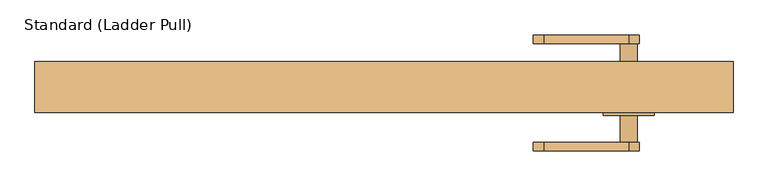
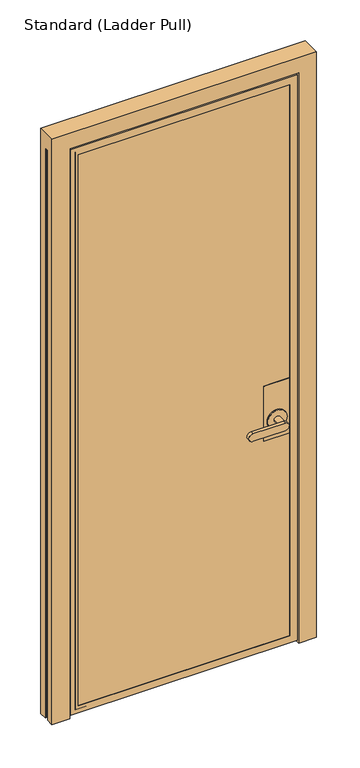
"""IFC4 building model written with IfcOpenShell, lengths in millimetres: door geometry, Standard (Ladder Pull)."""

import ifcopenshell
import ifcopenshell.guid

model = None  # the IFC model being written
_history = None  # IfcOwnerHistory: only IFC2X3 demands one
_inside = {}  # id of a spatial element -> (the spatial element, [elements in it])
_under = {}  # id of a project, library or spatial element -> (it, [spatial elements below it])
_declared = {}  # id of a project -> (the project, [libraries it declares])
_typed = {}  # id of a type object -> (the type object, [elements of that type])
_made_of = {}  # id of a material, layer set ... -> (it, [elements and type objects made of it])


def new_model(schema):
    """Start an empty IFC model of exactly this schema.

    Asked for "IFC4X3", IfcOpenShell would pick the latest addendum, in which some entities
    have other attributes; the version numbers below select the first issue.
    IFC2X3 requires an IfcOwnerHistory on every rooted entity: one is made here for all.
    """
    global model, _history
    if schema == "IFC4X3":
        model = ifcopenshell.file(schema_version=(4, 3, 0, 0))
    else:
        model = ifcopenshell.file(schema=schema)
    _inside.clear()
    _under.clear()
    _declared.clear()
    _typed.clear()
    _made_of.clear()
    _history = None
    if model.schema == "IFC2X3":
        org = make("IfcOrganization", Name="unknown")
        user = make(
            "IfcPersonAndOrganization",
            ThePerson=make("IfcPerson", FamilyName="unknown"),
            TheOrganization=org,
        )
        app = make(
            "IfcApplication",
            ApplicationDeveloper=org,
            Version="unknown",
            ApplicationFullName="unknown",
            ApplicationIdentifier="unknown",
        )
        _history = make(
            "IfcOwnerHistory",
            OwningUser=user,
            OwningApplication=app,
            ChangeAction="ADDED",
            CreationDate=0,
        )
    return model


def make(cls, **values):
    """One entity of the class cls with the attributes given. An attribute that is None is left unset."""
    return model.create_entity(
        cls, **{name: value for name, value in values.items() if value is not None}
    )


def rooted(cls, **values):
    """An entity with a GlobalId (a new one), such as an element, a storey or a relation."""
    return make(cls, GlobalId=ifcopenshell.guid.new(), OwnerHistory=_history, **values)


def si_unit(unit_type, name, prefix=None):
    """IfcSIUnit, for example si_unit("LENGTHUNIT", "METRE", prefix="MILLI")."""
    return make("IfcSIUnit", UnitType=unit_type, Prefix=prefix, Name=name)


def assignment(units):
    """IfcUnitAssignment: the units of a project."""
    return None if units is None else make("IfcUnitAssignment", Units=units)


def point(xyz):
    """IfcCartesianPoint."""
    return None if xyz is None else make("IfcCartesianPoint", Coordinates=xyz)


def direction(xyz):
    """IfcDirection."""
    return None if xyz is None else make("IfcDirection", DirectionRatios=xyz)


def frame(location, z_axis=None, x_axis=None):
    """IfcAxis2Placement3D, a coordinate frame: its origin and axes. An axis left out is left unset."""
    return make(
        "IfcAxis2Placement3D",
        Location=point(location),
        Axis=direction(z_axis),
        RefDirection=direction(x_axis),
    )


def origin():
    """The frame at (0, 0, 0) with its axes left unset."""
    return frame((0.0, 0.0, 0.0))


def place(relative_to, where):
    """IfcLocalPlacement: puts the frame where relative to a parent placement (None: the world)."""
    return make(
        "IfcLocalPlacement", PlacementRelTo=relative_to, RelativePlacement=where
    )


def context(
    kind, dimensions, precision=None, world=None, true_north=None, identifier=None
):
    """IfcGeometricRepresentationContext, for example the 3D "Model" context."""
    return make(
        "IfcGeometricRepresentationContext",
        ContextIdentifier=identifier,
        ContextType=kind,
        CoordinateSpaceDimension=dimensions,
        Precision=precision,
        WorldCoordinateSystem=world,
        TrueNorth=true_north,
    )


def project(units=None, contexts=None):
    """IfcProject with its units and contexts."""
    return rooted(
        "IfcProject",
        Name="project",
        RepresentationContexts=contexts,
        UnitsInContext=assignment(units),
    )


def spatial(cls, under=None, at=None, **own):
    """A site, building, storey or space (cls), placed at a placement, below another one or the project."""
    s = rooted(cls, ObjectPlacement=at, **own)
    if under is not None:
        _under.setdefault(under.id(), (under, []))[1].append(s)
    return s


def polyline(points):
    """IfcPolyline through the points."""
    return make("IfcPolyline", Points=[point(p) for p in points])


def circle_curve(where, radius):
    """IfcCircle in the frame where."""
    return make("IfcCircle", Position=where, Radius=radius)


def outline(outer, holes=None, kind="AREA"):
    """IfcArbitraryClosedProfileDef: a profile drawn as a closed curve; with holes, ...WithVoids."""
    if holes is None:
        return make("IfcArbitraryClosedProfileDef", ProfileType=kind, OuterCurve=outer)
    return make(
        "IfcArbitraryProfileDefWithVoids",
        ProfileType=kind,
        OuterCurve=outer,
        InnerCurves=holes,
    )


def extrude(swept, where, along, depth):
    """IfcExtrudedAreaSolid: the profile swept, set in the frame where, extruded along a direction by depth."""
    return make(
        "IfcExtrudedAreaSolid",
        SweptArea=swept,
        Position=where,
        ExtrudedDirection=direction(along),
        Depth=depth,
    )


def faces_of(points, faces, orient=None, outer=None):
    """IfcFace entities. A face is a list of loops; a loop is a list of indices into points, from 0.

    orient and outer hold one flag for each loop. By default every Orientation is true, the
    first loop of a face is its IfcFaceOuterBound and the others are IfcFaceBound.
    """
    made = []
    for i, loops in enumerate(faces):
        bounds = []
        for j, loop in enumerate(loops):
            is_outer = j == 0 if outer is None else outer[i][j]
            bounds.append(
                make(
                    "IfcFaceOuterBound" if is_outer else "IfcFaceBound",
                    Bound=make("IfcPolyLoop", Polygon=[points[k] for k in loop]),
                    Orientation=True if orient is None else orient[i][j],
                )
            )
        made.append(make("IfcFace", Bounds=bounds))
    return made


def faceted_brep(points, faces, orient=None, outer=None, voids=None):
    """IfcFacetedBrep: a solid bounded by flat faces; with voids (closed shells), ...WithVoids."""
    shared = [point(p) for p in points]
    hull = make("IfcClosedShell", CfsFaces=faces_of(shared, faces, orient, outer))
    if voids is None:
        return make("IfcFacetedBrep", Outer=hull)
    return make(
        "IfcFacetedBrepWithVoids",
        Outer=hull,
        Voids=[
            make(cls, CfsFaces=faces_of(shared, fs, o, b)) for cls, fs, o, b in voids
        ],
    )


def shape(context_of_items, identifier, shape_type, items):
    """IfcShapeRepresentation: the items that make up one representation, for example the "Body"."""
    return make(
        "IfcShapeRepresentation",
        ContextOfItems=context_of_items,
        RepresentationIdentifier=identifier,
        RepresentationType=shape_type,
        Items=items,
    )


def source(mapping_origin, context_of_items, identifier, shape_type, items):
    """IfcRepresentationMap: a shape defined once, which mapped items show again and again."""
    return make(
        "IfcRepresentationMap",
        MappingOrigin=mapping_origin,
        MappedRepresentation=shape(context_of_items, identifier, shape_type, items),
    )


def transform(
    local_origin,
    x_axis=None,
    y_axis=None,
    z_axis=None,
    scale=None,
    scale2=None,
    scale3=None,
    uniform=True,
):
    """IfcCartesianTransformationOperator3D, or its non-uniform kind. x_axis, y_axis, z_axis: its Axis1, 2, 3."""
    if uniform:
        return make(
            "IfcCartesianTransformationOperator3D",
            Axis1=direction(x_axis),
            Axis2=direction(y_axis),
            LocalOrigin=point(local_origin),
            Scale=scale,
            Axis3=direction(z_axis),
        )
    return make(
        "IfcCartesianTransformationOperator3DnonUniform",
        Axis1=direction(x_axis),
        Axis2=direction(y_axis),
        LocalOrigin=point(local_origin),
        Scale=scale,
        Axis3=direction(z_axis),
        Scale2=scale2,
        Scale3=scale3,
    )


def mapped(mapping_source, mapping_target):
    """IfcMappedItem: shows the shape of a source again, moved by a transform."""
    return make(
        "IfcMappedItem", MappingSource=mapping_source, MappingTarget=mapping_target
    )


def made_of(thing, what):
    """Note that an element or type object is made of a material, layer set ...; save() writes the relation."""
    if what is not None:
        _made_of.setdefault(what.id(), (what, []))[1].append(thing)
    return thing


def element(
    cls,
    number,
    at=None,
    inside=None,
    cuts=None,
    type_object=None,
    material=None,
    context=None,
    identifier="Body",
    shape_type=None,
    held_by="IfcProductDefinitionShape",
    body=None,
    shapes=None,
    **own,
):
    """One element of the class cls, such as IfcWall. Its Tag is "e" and its number.

    at: its placement. inside: the storey or other place that contains it. cuts: it is an
    opening in that element (IfcRelVoidsElement). A single representation is given by context,
    identifier, shape_type and body (its items); several are given by shapes. held_by: the class
    of the entity that holds the representations. save() writes the other relations.
    """
    e = rooted(cls, Tag="e%d" % number, ObjectPlacement=at, **own)
    if body is not None:
        shapes = [shape(context, identifier, shape_type, body)]
    if shapes is not None:
        e.Representation = make(held_by, Representations=shapes)
    if inside is not None:
        _inside.setdefault(inside.id(), (inside, []))[1].append(e)
    if cuts is not None:
        rooted(
            "IfcRelVoidsElement", RelatingBuildingElement=cuts, RelatedOpeningElement=e
        )
    if type_object is not None:
        _typed.setdefault(type_object.id(), (type_object, []))[1].append(e)
    return made_of(e, material)


def aggregate(whole, parts):
    """IfcRelAggregates: a whole, such as a stair, and the parts it consists of."""
    return rooted("IfcRelAggregates", RelatingObject=whole, RelatedObjects=parts)


def save(model, path):
    """Write the relations noted so far, then the file.

    IfcRelAggregates (storeys below a building ...), IfcRelContainedInSpatialStructure (elements
    in a storey), IfcRelDefinesByType, IfcRelAssociatesMaterial and IfcRelDeclares: one each for
    every whole, place, type object, material and project.
    """
    for whole, parts in _under.values():
        aggregate(whole, parts)
    for where, things in _inside.values():
        rooted(
            "IfcRelContainedInSpatialStructure",
            RelatedElements=things,
            RelatingStructure=where,
        )
    for kind, things in _typed.values():
        rooted("IfcRelDefinesByType", RelatedObjects=things, RelatingType=kind)
    for what, things in _made_of.values():
        rooted("IfcRelAssociatesMaterial", RelatedObjects=things, RelatingMaterial=what)
    for by, libraries in _declared.values():
        rooted("IfcRelDeclares", RelatingContext=by, RelatedDefinitions=libraries)
    model.write(path)


def plane_surface(at):
    """IfcPlane: the flat surface through the origin of the frame at, square to its z axis."""
    return make("IfcPlane", Position=at)


def cylinder_surface(at, radius):
    """IfcCylindricalSurface: all points at the distance radius from the z axis of the frame at."""
    return make("IfcCylindricalSurface", Position=at, Radius=radius)


def advanced_brep(points, edges, surfaces, faces):
    """IfcAdvancedBrep: a solid bounded by faces that lie on surfaces and meet in shared edges.

    An edge is (start, end): straight between two places in points (the first is 0);
    or (start, end, curve); or (start, end, curve, False) where it runs against its curve.
    A face is (place in surfaces, loops), or (place, loops, False) where it looks against
    its surface's normal. A loop lists edges by number (the first is 1), with a minus sign
    where the edge is run from its end to its start. The first loop is the outer one.
    """
    corners = [point(p) for p in points]
    vertices = [make("IfcVertexPoint", VertexGeometry=c) for c in corners]
    made = []
    for start, end, *more in edges:
        made.append(
            make(
                "IfcEdgeCurve",
                EdgeStart=vertices[start],
                EdgeEnd=vertices[end],
                EdgeGeometry=more[0] if more else make("IfcPolyline", Points=[corners[start], corners[end]]),
                SameSense=more[1] if len(more) > 1 else True,
            )
        )
    hull = []
    for where, loops, *sense in faces:
        bounds = []
        for j, loop in enumerate(loops):
            ring = [make("IfcOrientedEdge", EdgeElement=made[abs(k) - 1], Orientation=k > 0) for k in loop]
            bounds.append(
                make(
                    "IfcFaceOuterBound" if j == 0 else "IfcFaceBound",
                    Bound=make("IfcEdgeLoop", EdgeList=ring),
                    Orientation=True,
                )
            )
        hull.append(make("IfcAdvancedFace", Bounds=bounds, FaceSurface=surfaces[where], SameSense=sense[0] if sense else True))
    return make("IfcAdvancedBrep", Outer=make("IfcClosedShell", CfsFaces=hull))


def standard_ladder_pull_98293552(model_context):
    return source(origin(), model_context, "Body", "SolidModel", [
        advanced_brep(
        [(415.925, 20.6375, 1117.6), (314.325, 20.6375, 1117.6), (314.325, -26.9875, 1117.6), (415.925, -26.9875, 1117.6), (415.925, 20.6375, 889.0), (415.925, -26.9875, 889.0), (314.325, -26.9875, 889.0), (314.325, 20.6375, 889.0), (403.225, 20.6375, 965.2), (327.025, 20.6375, 965.2), (377.825, 25.4, 965.2), (352.425, 25.4, 965.2), (352.425, 65.0875, 965.2), (377.825, 65.0875, 965.2), (403.225, 25.4, 965.2), (327.025, 25.4, 965.2), (365.125, 65.0875, 949.325), (365.125, 65.0875, 981.075), (238.125, 65.0875, 981.075), (238.125, 65.0875, 949.325), (365.125, 77.7875, 949.325), (238.125, 77.7875, 949.325), (238.125, 77.7875, 981.075), (365.125, 77.7875, 981.075)],
        [
            (0, 1),
            (1, 2),
            (2, 3),
            (3, 0),
            (4, 5),
            (5, 6),
            (6, 7),
            (7, 4),
            (3, 5),
            (4, 0),
            (2, 6),
            (1, 7),
            (8, 9, circle_curve(frame((365.125, 20.6375, 965.2), z_axis=(0.0, -1.0, 0.0), x_axis=(-1.0, 0.0, 0.0)), 38.1)),
            (9, 8, circle_curve(frame((365.125, 20.6375, 965.2), z_axis=(0.0, -1.0, 0.0), x_axis=(-1.0, 0.0, 0.0)), 38.1)),
            (10, 11, circle_curve(frame((365.125, 25.4, 965.2), z_axis=(0.0, 1.0, 0.0), x_axis=(-1.0, 0.0, 0.0)), 12.7)),
            (11, 12),
            (12, 13, circle_curve(frame((365.125, 65.0875, 965.2), z_axis=(0.0, -1.0, 0.0), x_axis=(-1.0, 0.0, 0.0)), 12.7)),
            (13, 10),
            (13, 12, circle_curve(frame((365.125, 65.0875, 965.2), z_axis=(0.0, -1.0, 0.0), x_axis=(-1.0, 0.0, 0.0)), 12.7)),
            (11, 10, circle_curve(frame((365.125, 25.4, 965.2), z_axis=(0.0, 1.0, 0.0), x_axis=(-1.0, 0.0, 0.0)), 12.7)),
            (14, 15, circle_curve(frame((365.125, 25.4, 965.2), z_axis=(0.0, 1.0, 0.0), x_axis=(-1.0, 0.0, 0.0)), 38.1)),
            (15, 14, circle_curve(frame((365.125, 25.4, 965.2), z_axis=(0.0, 1.0, 0.0), x_axis=(-1.0, 0.0, 0.0)), 38.1)),
            (14, 8),
            (9, 15),
            (16, 17, circle_curve(frame((365.125, 65.0875, 965.2), z_axis=(0.0, -1.0, 0.0), x_axis=(-1.0, 0.0, 0.0)), 15.875)),
            (17, 18),
            (18, 19, circle_curve(frame((238.125, 65.0875, 965.2), z_axis=(0.0, -1.0, 0.0), x_axis=(-1.0, 0.0, 0.0)), 15.875)),
            (19, 16),
            (20, 21),
            (21, 22, circle_curve(frame((238.125, 77.7875, 965.2), z_axis=(0.0, 1.0, 0.0), x_axis=(-1.0, 0.0, 0.0)), 15.875)),
            (22, 23),
            (23, 20, circle_curve(frame((365.125, 77.7875, 965.2), z_axis=(0.0, 1.0, 0.0), x_axis=(-1.0, 0.0, 0.0)), 15.875)),
            (19, 21),
            (20, 16),
            (18, 22),
            (17, 23),
        ],
        [
            plane_surface(frame((415.925, 87.8442978, 1117.6), z_axis=(0.0, 0.0, 1.0), x_axis=(0.0, -1.0, 0.0))),
            plane_surface(frame((415.925, 87.8442978, 889.0), z_axis=(0.0, 0.0, -1.0), x_axis=(0.0, 1.0, 0.0))),
            plane_surface(frame((415.925, 20.6375, 1117.6), z_axis=(1.0, 0.0, 0.0), x_axis=(0.0, 0.0, -1.0))),
            plane_surface(frame((415.925, -26.9875, 1117.6), z_axis=(0.0, -1.0, 0.0), x_axis=(0.0, 0.0, -1.0))),
            plane_surface(frame((314.325, -26.9875, 1117.6), z_axis=(-1.0, 0.0, 0.0), x_axis=(0.0, 0.0, -1.0))),
            plane_surface(frame((314.325, 20.6375, 1117.6), z_axis=(0.0, 1.0, 0.0), x_axis=(0.0, 0.0, -1.0))),
            cylinder_surface(frame((365.125, 65.0875, 965.2), z_axis=(0.0, -1.0, 0.0), x_axis=(-1.0, 0.0, 0.0)), 12.7),
            plane_surface(frame((327.025, 25.4, 965.2), z_axis=(0.0, 1.0, 0.0), x_axis=(0.0, 0.0, -1.0))),
            cylinder_surface(frame((365.125, 25.4, 965.2), z_axis=(0.0, -1.0, 0.0), x_axis=(-1.0, 0.0, 0.0)), 38.1),
            plane_surface(frame((365.125, 65.0875, 949.325), z_axis=(0.0, -1.0, 0.0), x_axis=(-1.0, 0.0, 0.0))),
            plane_surface(frame((365.125, 77.7875, 949.325), z_axis=(0.0, 1.0, 0.0), x_axis=(1.0, 0.0, 0.0))),
            plane_surface(frame((365.125, 65.0875, 949.325), z_axis=(0.0, 0.0, -1.0), x_axis=(0.0, 1.0, 0.0))),
            cylinder_surface(frame((238.125, 77.7875, 965.2), z_axis=(0.0, -1.0, 0.0), x_axis=(-1.0, 0.0, 0.0)), 15.875),
            plane_surface(frame((238.125, 65.0875, 981.075), z_axis=(0.0, 0.0, 1.0), x_axis=(0.0, 1.0, 0.0))),
            cylinder_surface(frame((365.125, 77.7875, 965.2), z_axis=(0.0, -1.0, 0.0), x_axis=(-1.0, 0.0, 0.0)), 15.875),
        ],
        [
            (0, [[1, 2, 3, 4]]),
            (1, [[5, 6, 7, 8]]),
            (2, [[9, -5, 10, -4]]),
            (3, [[11, -6, -9, -3]]),
            (4, [[12, -7, -11, -2]]),
            (5, [[-10, -8, -12, -1], [13, 14]]),
            (6, [[15, 16, 17, 18]]),
            (6, [[19, -16, 20, -18]]),
            (7, [[21, 22], [-20, -15]]),
            (8, [[23, -14, 24, -21]]),
            (8, [[-24, -13, -23, -22]]),
            (9, [[25, 26, 27, 28], [-19, -17]]),
            (10, [[29, 30, 31, 32]]),
            (11, [[33, -29, 34, -28]]),
            (12, [[35, -30, -33, -27]]),
            (13, [[36, -31, -35, -26]]),
            (14, [[-34, -32, -36, -25]]),
        ],
    ),
        advanced_brep(
        [(415.925, -36.5125, 1117.6), (314.325, -36.5125, 1117.6), (314.325, -38.1, 1117.6), (415.925, -38.1, 1117.6), (415.925, -36.5125, 889.0), (415.925, -38.1, 889.0), (314.325, -38.1, 889.0), (314.325, -36.5125, 889.0), (403.225, -42.8625, 965.2), (327.025, -42.8625, 965.2), (352.425, -42.8625, 965.2), (377.825, -42.8625, 965.2), (327.025, -38.1, 965.2), (403.225, -38.1, 965.2), (377.825, -82.55, 965.2), (352.425, -82.55, 965.2), (238.125, -95.25, 949.325), (365.125, -95.25, 949.325), (365.125, -95.25, 981.075), (238.125, -95.25, 981.075), (238.125, -82.55, 949.325), (238.125, -82.55, 981.075), (365.125, -82.55, 981.075), (365.125, -82.55, 949.325)],
        [
            (0, 1),
            (1, 2),
            (2, 3),
            (3, 0),
            (4, 5),
            (5, 6),
            (6, 7),
            (7, 4),
            (3, 5),
            (4, 0),
            (1, 7),
            (6, 2),
            (8, 9, circle_curve(frame((365.125, -42.8625, 965.2), z_axis=(0.0, -1.0, 0.0), x_axis=(-1.0, 0.0, 0.0)), 38.1)),
            (9, 8, circle_curve(frame((365.125, -42.8625, 965.2), z_axis=(0.0, -1.0, 0.0), x_axis=(-1.0, 0.0, 0.0)), 38.1)),
            (10, 11, circle_curve(frame((365.125, -42.8625, 965.2), z_axis=(0.0, 1.0, 0.0), x_axis=(-1.0, 0.0, 0.0)), 12.7)),
            (11, 10, circle_curve(frame((365.125, -42.8625, 965.2), z_axis=(0.0, 1.0, 0.0), x_axis=(-1.0, 0.0, 0.0)), 12.7)),
            (9, 12),
            (12, 13, circle_curve(frame((365.125, -38.1, 965.2), z_axis=(0.0, -1.0, 0.0), x_axis=(-1.0, 0.0, 0.0)), 38.1)),
            (13, 8),
            (13, 12, circle_curve(frame((365.125, -38.1, 965.2), z_axis=(0.0, -1.0, 0.0), x_axis=(-1.0, 0.0, 0.0)), 38.1)),
            (14, 15, circle_curve(frame((365.125, -82.55, 965.2), z_axis=(0.0, 1.0, 0.0), x_axis=(-1.0, 0.0, 0.0)), 12.7)),
            (15, 10),
            (11, 14),
            (15, 14, circle_curve(frame((365.125, -82.55, 965.2), z_axis=(0.0, 1.0, 0.0), x_axis=(-1.0, 0.0, 0.0)), 12.7)),
            (16, 17),
            (17, 18, circle_curve(frame((365.125, -95.25, 965.2), z_axis=(0.0, -1.0, 0.0), x_axis=(-1.0, 0.0, 0.0)), 15.875)),
            (18, 19),
            (19, 16, circle_curve(frame((238.125, -95.25, 965.2), z_axis=(0.0, -1.0, 0.0), x_axis=(-1.0, 0.0, 0.0)), 15.875)),
            (20, 21, circle_curve(frame((238.125, -82.55, 965.2), z_axis=(0.0, 1.0, 0.0), x_axis=(-1.0, 0.0, 0.0)), 15.875)),
            (21, 22),
            (22, 23, circle_curve(frame((365.125, -82.55, 965.2), z_axis=(0.0, 1.0, 0.0), x_axis=(-1.0, 0.0, 0.0)), 15.875)),
            (23, 20),
            (19, 21),
            (20, 16),
            (18, 22),
            (17, 23),
        ],
        [
            plane_surface(frame((415.925, 87.8442978, 1117.6), z_axis=(0.0, 0.0, 1.0), x_axis=(0.0, -1.0, 0.0))),
            plane_surface(frame((415.925, 87.8442978, 889.0), z_axis=(0.0, 0.0, -1.0), x_axis=(0.0, 1.0, 0.0))),
            plane_surface(frame((415.925, -36.5125, 1117.6), z_axis=(1.0, 0.0, 0.0), x_axis=(0.0, 0.0, -1.0))),
            plane_surface(frame((314.325, -38.1, 1117.6), z_axis=(-1.0, 0.0, 0.0), x_axis=(0.0, 0.0, -1.0))),
            plane_surface(frame((314.325, -36.5125, 1117.6), z_axis=(0.0, 1.0, 0.0), x_axis=(0.0, 0.0, -1.0))),
            plane_surface(frame((327.025, -42.8625, 965.2), z_axis=(0.0, -1.0, 0.0), x_axis=(0.0, 0.0, 1.0))),
            cylinder_surface(frame((365.125, -38.1, 965.2), z_axis=(0.0, -1.0, 0.0), x_axis=(-1.0, 0.0, 0.0)), 38.1),
            cylinder_surface(frame((365.125, -39.6875, 965.2), z_axis=(0.0, -1.0, 0.0), x_axis=(-1.0, 0.0, 0.0)), 12.7),
            plane_surface(frame((222.25, -95.25, 965.2), z_axis=(0.0, -1.0, 0.0), x_axis=(0.0, 0.0, 1.0))),
            plane_surface(frame((222.25, -82.55, 965.2), z_axis=(0.0, 1.0, 0.0), x_axis=(0.0, 0.0, -1.0))),
            cylinder_surface(frame((238.125, -82.55, 965.2), z_axis=(0.0, -1.0, 0.0), x_axis=(-1.0, 0.0, 0.0)), 15.875),
            plane_surface(frame((238.125, -95.25, 981.075), z_axis=(0.0, 0.0, 1.0), x_axis=(0.0, 1.0, 0.0))),
            cylinder_surface(frame((365.125, -82.55, 965.2), z_axis=(0.0, -1.0, 0.0), x_axis=(-1.0, 0.0, 0.0)), 15.875),
            plane_surface(frame((365.125, -95.25, 949.325), z_axis=(0.0, 0.0, -1.0), x_axis=(0.0, 1.0, 0.0))),
            plane_surface(frame((415.925, -38.1, 1117.6), z_axis=(0.0, -1.0, 0.0), x_axis=(0.0, 0.0, -1.0))),
        ],
        [
            (0, [[1, 2, 3, 4]]),
            (1, [[5, 6, 7, 8]]),
            (2, [[9, -5, 10, -4]]),
            (3, [[11, -7, 12, -2]]),
            (4, [[-10, -8, -11, -1]]),
            (5, [[13, 14], [15, 16]]),
            (6, [[17, 18, 19, -14]]),
            (6, [[-19, 20, -17, -13]]),
            (7, [[21, 22, -16, 23]]),
            (7, [[-15, -22, 24, -23]]),
            (8, [[25, 26, 27, 28]]),
            (9, [[29, 30, 31, 32], [-24, -21]]),
            (10, [[33, -29, 34, -28]]),
            (11, [[35, -30, -33, -27]]),
            (12, [[36, -31, -35, -26]]),
            (13, [[-34, -32, -36, -25]]),
            (14, [[-12, -6, -9, -3], [-20, -18]]),
        ],
    ),
        extrude(outline(polyline([(428.625, -36.5125), (-428.625, -36.5125), (-428.625, -26.9875), (428.625, -26.9875), (428.625, -36.5125)])), frame((0.0, 0.0, 30.1625), z_axis=(0.0, 0.0, 1.0), x_axis=(1.0, 0.0, 0.0)), (0.0, 0.0, 1.0), 2320.925),
        faceted_brep([(-428.625, -36.5125, 2351.0875), (-428.625, -36.5125, 30.1625), (-428.625, -26.9875, 30.1625), (-428.625, -26.9875, 2351.0875), (428.625, -26.9875, 30.1625), (428.625, -26.9875, 2351.0875), (-415.925, -26.9875, 42.8625), (-415.925, -26.9875, 2338.3875), (415.925, -26.9875, 2338.3875), (415.925, -26.9875, 42.8625), (428.625, -36.5125, 30.1625), (428.625, -36.5125, 2351.0875), (-415.925, -36.5125, 2338.3875), (-415.925, -36.5125, 42.8625), (415.925, -36.5125, 42.8625), (415.925, -36.5125, 2338.3875), (-415.925, -38.1, 2338.3875), (-415.925, -38.1, 42.8625), (415.925, -38.1, 42.8625), (-446.0875, -38.1, 2368.55), (-446.0875, -38.1, 12.7), (446.0875, -38.1, 12.7), (446.0875, -38.1, 2368.55), (415.925, -38.1, 2338.3875), (-446.0875, 6.35, 2368.55), (-446.0875, 6.35, 12.7), (446.0875, 6.35, 12.7), (446.0875, 6.35, 2368.55), (430.2125, 6.35, 2352.675), (-430.2125, 6.35, 2352.675), (-430.2125, 6.35, 28.575), (430.2125, 6.35, 28.575), (-415.925, 20.6375, 42.8625), (-415.925, 20.6375, 2338.3875), (-430.2125, 20.6375, 28.575), (-430.2125, 20.6375, 2352.675), (430.2125, 20.6375, 2352.675), (430.2125, 20.6375, 28.575), (415.925, 20.6375, 42.8625), (415.925, 20.6375, 2338.3875)], [[[0, 1, 2, 3]], [[3, 2, 4, 5], [6, 7, 8, 9]], [[1, 10, 4, 2]], [[1, 0, 11, 10], [12, 13, 14, 15]], [[16, 17, 13, 12]], [[17, 18, 14, 13]], [[19, 20, 21, 22], [17, 16, 23, 18]], [[24, 25, 20, 19]], [[25, 26, 21, 20]], [[24, 27, 26, 25], [28, 29, 30, 31]], [[10, 11, 5, 4]], [[18, 23, 15, 14]], [[26, 27, 22, 21]], [[7, 6, 32, 33]], [[34, 35, 36, 37], [33, 32, 38, 39]], [[6, 9, 38, 32]], [[9, 8, 39, 38]], [[34, 37, 31, 30]], [[37, 36, 28, 31]], [[35, 34, 30, 29]], [[11, 0, 3, 5]], [[23, 16, 12, 15]], [[27, 24, 19, 22]], [[8, 7, 33, 39]], [[36, 35, 29, 28]]]),
        faceted_brep([(450.85, 20.6375, 0.0), (450.85, 38.1, 0.0), (520.7, 38.1, 0.0), (520.7, 8.73125, 0.0), (518.31875, 8.73125, 0.0), (518.31875, 10.31875, 0.0), (519.1125, 10.31875, 0.0), (519.1125, 13.49375, 0.0), (512.7625, 13.49375, 0.0), (512.7625, 10.31875, 0.0), (513.55625, 10.31875, 0.0), (513.55625, 8.73125, 0.0), (511.175, 8.73125, 0.0), (511.175, 15.08125, 0.0), (519.1125, 15.08125, 0.0), (519.1125, 23.8125, 0.0), (508.0, 23.8125, 0.0), (508.0, 22.225, 0.0), (506.4125, 22.225, 0.0), (506.4125, 23.8125, 0.0), (504.825, 23.8125, 0.0), (504.825, -23.8125, 0.0), (506.4125, -23.8125, 0.0), (506.4125, -22.225, 0.0), (508.0, -22.225, 0.0), (508.0, -23.8125, 0.0), (519.1125, -23.8125, 0.0), (519.1125, -15.08125, 0.0), (511.175, -15.08125, 0.0), (511.175, -8.73125, 0.0), (513.55625, -8.73125, 0.0), (513.55625, -10.31875, 0.0), (512.7625, -10.31875, 0.0), (512.7625, -13.49375, 0.0), (519.1125, -13.49375, 0.0), (519.1125, -10.31875, 0.0), (518.31875, -10.31875, 0.0), (518.31875, -8.73125, 0.0), (520.7, -8.73125, 0.0), (520.7, -38.1, 0.0), (450.85, -38.1, 0.0), (450.85, 9.525, 0.0), (436.5625, 9.525, 0.0), (436.5625, 20.6375, 0.0), (520.7, 38.1, 2438.4), (520.7, -38.1, 2438.4), (520.7, -8.73125, 2374.9), (520.7, 8.73125, 2374.9), (518.31875, 8.73125, 2374.9), (518.31875, -8.73125, 2374.9), (-520.7, -38.1, 2438.4), (-520.7, -38.1, 0.0), (-450.85, -38.1, 0.0), (-450.85, -38.1, 2374.9), (450.85, -38.1, 2374.9), (450.85, 38.1, 2374.9), (-450.85, 38.1, 2374.9), (-450.85, 38.1, 0.0), (-520.7, 38.1, 0.0), (-520.7, 38.1, 2438.4), (-450.85, 20.6375, 0.0), (-436.5625, 20.6375, 0.0), (-436.5625, 9.525, 0.0), (-450.85, 9.525, 0.0), (-520.7, -8.73125, 0.0), (-518.31875, -8.73125, 0.0), (-518.31875, -10.31875, 0.0), (-519.1125, -10.31875, 0.0), (-519.1125, -13.49375, 0.0), (-512.7625, -13.49375, 0.0), (-512.7625, -10.31875, 0.0), (-513.55625, -10.31875, 0.0), (-513.55625, -8.73125, 0.0), (-511.175, -8.73125, 0.0), (-511.175, -15.08125, 0.0), (-519.1125, -15.08125, 0.0), (-519.1125, -23.8125, 0.0), (-508.0, -23.8125, 0.0), (-508.0, -22.225, 0.0), (-506.4125, -22.225, 0.0), (-506.4125, -23.8125, 0.0), (-504.825, -23.8125, 0.0), (-504.825, 23.8125, 0.0), (-506.4125, 23.8125, 0.0), (-506.4125, 22.225, 0.0), (-508.0, 22.225, 0.0), (-508.0, 23.8125, 0.0), (-519.1125, 23.8125, 0.0), (-519.1125, 15.08125, 0.0), (-511.175, 15.08125, 0.0), (-511.175, 8.73125, 0.0), (-513.55625, 8.73125, 0.0), (-513.55625, 10.31875, 0.0), (-512.7625, 10.31875, 0.0), (-512.7625, 13.49375, 0.0), (-519.1125, 13.49375, 0.0), (-519.1125, 10.31875, 0.0), (-518.31875, 10.31875, 0.0), (-518.31875, 8.73125, 0.0), (-520.7, 8.73125, 0.0), (-520.7, 8.73125, 2374.9), (-520.7, -8.73125, 2374.9), (-518.31875, -8.73125, 2374.9), (-518.31875, 8.73125, 2374.9), (450.85, 9.525, 2374.9), (-450.85, 9.525, 2374.9), (-450.85, 20.6375, 2374.9), (-518.31875, 10.31875, 2360.6125), (-518.31875, 9.525, 2360.6125), (-518.31875, 9.525, 2374.9), (-519.1125, 10.31875, 2360.6125), (-519.1125, 13.49375, 2360.6125), (-512.7625, 13.49375, 2360.6125), (-512.7625, 10.31875, 2360.6125), (-513.55625, 10.31875, 2360.6125), (-513.55625, 8.73125, 2374.9), (-513.55625, 9.525, 2374.9), (-513.55625, 9.525, 2360.6125), (-511.175, 8.73125, 2374.9), (-511.175, 15.08125, 2360.6125), (-511.175, 9.525, 2360.6125), (-511.175, 9.525, 2374.9), (-519.1125, 15.08125, 2360.6125), (-519.1125, 23.8125, 2374.9), (-519.1125, 20.6375, 2374.9), (-519.1125, 20.6375, 2360.6125), (-508.0, 23.8125, 2374.9), (-508.0, 22.225, 2374.9), (-506.4125, 22.225, 2374.9), (-506.4125, 23.8125, 2374.9), (-504.825, 23.8125, 2374.9), (-504.825, -23.8125, 2374.9), (-504.825, 9.525, 2374.9), (-504.825, 9.525, 2360.6125), (-504.825, 20.6375, 2360.6125), (-504.825, 20.6375, 2374.9), (-506.4125, -23.8125, 2374.9), (-506.4125, -22.225, 2374.9), (-508.0, -22.225, 2374.9), (-508.0, -23.8125, 2374.9), (-519.1125, -23.8125, 2374.9), (-519.1125, -15.08125, 2374.9), (-511.175, -15.08125, 2374.9), (-511.175, -8.73125, 2374.9), (-513.55625, -8.73125, 2374.9), (-513.55625, -10.31875, 2374.9), (-512.7625, -10.31875, 2374.9), (-512.7625, -13.49375, 2374.9), (-519.1125, -13.49375, 2374.9), (-519.1125, -10.31875, 2374.9), (-518.31875, -10.31875, 2374.9), (-436.5625, 9.525, 2360.6125), (436.5625, 9.525, 2360.6125), (504.825, 9.525, 2374.9), (504.825, 9.525, 2360.6125), (511.175, 9.525, 2360.6125), (511.175, 9.525, 2374.9), (513.55625, 9.525, 2374.9), (513.55625, 9.525, 2360.6125), (518.31875, 9.525, 2360.6125), (518.31875, 9.525, 2374.9), (-436.5625, 20.6375, 2360.6125), (450.85, 20.6375, 2374.9), (436.5625, 20.6375, 2360.6125), (519.1125, 20.6375, 2374.9), (519.1125, 20.6375, 2360.6125), (504.825, 20.6375, 2360.6125), (504.825, 20.6375, 2374.9), (518.31875, -10.31875, 2374.9), (519.1125, -10.31875, 2374.9), (519.1125, -13.49375, 2374.9), (512.7625, -13.49375, 2374.9), (512.7625, -10.31875, 2374.9), (513.55625, -10.31875, 2374.9), (513.55625, -8.73125, 2374.9), (511.175, -8.73125, 2374.9), (511.175, -15.08125, 2374.9), (519.1125, -15.08125, 2374.9), (519.1125, -23.8125, 2374.9), (508.0, -23.8125, 2374.9), (508.0, -22.225, 2374.9), (506.4125, -22.225, 2374.9), (506.4125, -23.8125, 2374.9), (504.825, -23.8125, 2374.9), (504.825, 23.8125, 2374.9), (506.4125, 23.8125, 2374.9), (506.4125, 22.225, 2374.9), (508.0, 22.225, 2374.9), (508.0, 23.8125, 2374.9), (519.1125, 23.8125, 2374.9), (519.1125, 15.08125, 2360.6125), (511.175, 15.08125, 2360.6125), (511.175, 8.73125, 2374.9), (513.55625, 8.73125, 2374.9), (513.55625, 10.31875, 2360.6125), (512.7625, 10.31875, 2360.6125), (512.7625, 13.49375, 2360.6125), (519.1125, 13.49375, 2360.6125), (519.1125, 10.31875, 2360.6125), (518.31875, 10.31875, 2360.6125)], [[[0, 1, 2, 3, 4, 5, 6, 7, 8, 9, 10, 11, 12, 13, 14, 15, 16, 17, 18, 19, 20, 21, 22, 23, 24, 25, 26, 27, 28, 29, 30, 31, 32, 33, 34, 35, 36, 37, 38, 39, 40, 41, 42, 43]], [[2, 44, 45, 39, 38, 46, 47, 3]], [[3, 47, 48, 4]], [[37, 49, 46, 38]], [[45, 50, 51, 52, 53, 54, 40, 39]], [[2, 1, 55, 56, 57, 58, 59, 44]], [[60, 61, 62, 63, 52, 51, 64, 65, 66, 67, 68, 69, 70, 71, 72, 73, 74, 75, 76, 77, 78, 79, 80, 81, 82, 83, 84, 85, 86, 87, 88, 89, 90, 91, 92, 93, 94, 95, 96, 97, 98, 99, 58, 57]], [[99, 100, 101, 64, 51, 50, 59, 58]], [[64, 101, 102, 65]], [[98, 103, 100, 99]], [[40, 54, 104, 41]], [[63, 105, 53, 52]], [[57, 56, 106, 60]], [[97, 107, 108, 109, 103, 98]], [[96, 110, 107, 97]], [[95, 111, 110, 96]], [[94, 112, 111, 95]], [[93, 113, 112, 94]], [[92, 114, 113, 93]], [[91, 115, 116, 117, 114, 92]], [[90, 118, 115, 91]], [[89, 119, 120, 121, 118, 90]], [[88, 122, 119, 89]], [[87, 123, 124, 125, 122, 88]], [[86, 126, 123, 87]], [[85, 127, 126, 86]], [[84, 128, 127, 85]], [[83, 129, 128, 84]], [[82, 130, 129, 83]], [[81, 131, 132, 133, 134, 135, 130, 82]], [[80, 136, 131, 81]], [[79, 137, 136, 80]], [[78, 138, 137, 79]], [[77, 139, 138, 78]], [[76, 140, 139, 77]], [[75, 141, 140, 76]], [[74, 142, 141, 75]], [[73, 143, 142, 74]], [[72, 144, 143, 73]], [[71, 145, 144, 72]], [[70, 146, 145, 71]], [[69, 147, 146, 70]], [[68, 148, 147, 69]], [[67, 149, 148, 68]], [[66, 150, 149, 67]], [[65, 102, 150, 66]], [[62, 151, 152, 42, 41, 104, 105, 63]], [[121, 120, 133, 132]], [[109, 108, 117, 116]], [[153, 154, 155, 156]], [[157, 158, 159, 160]], [[61, 161, 151, 62]], [[60, 106, 162, 0, 43, 163, 161, 61]], [[135, 134, 125, 124]], [[164, 165, 166, 167]], [[42, 152, 163, 43]], [[36, 168, 49, 37]], [[35, 169, 168, 36]], [[34, 170, 169, 35]], [[33, 171, 170, 34]], [[32, 172, 171, 33]], [[31, 173, 172, 32]], [[30, 174, 173, 31]], [[29, 175, 174, 30]], [[28, 176, 175, 29]], [[27, 177, 176, 28]], [[26, 178, 177, 27]], [[25, 179, 178, 26]], [[24, 180, 179, 25]], [[23, 181, 180, 24]], [[22, 182, 181, 23]], [[21, 183, 182, 22]], [[20, 184, 167, 166, 154, 153, 183, 21]], [[19, 185, 184, 20]], [[18, 186, 185, 19]], [[17, 187, 186, 18]], [[16, 188, 187, 17]], [[15, 189, 188, 16]], [[14, 190, 165, 164, 189, 15]], [[13, 191, 190, 14]], [[12, 192, 156, 155, 191, 13]], [[11, 193, 192, 12]], [[10, 194, 158, 157, 193, 11]], [[9, 195, 194, 10]], [[8, 196, 195, 9]], [[7, 197, 196, 8]], [[6, 198, 197, 7]], [[5, 199, 198, 6]], [[4, 48, 160, 159, 199, 5]], [[162, 55, 1, 0]], [[104, 54, 53, 105]], [[100, 103, 109, 116, 115, 118, 121, 132, 131, 136, 137, 138, 139, 140, 141, 142, 143, 144, 145, 146, 147, 148, 149, 150, 102, 101]], [[46, 49, 168, 169, 170, 171, 172, 173, 174, 175, 176, 177, 178, 179, 180, 181, 182, 183, 153, 156, 192, 193, 157, 160, 48, 47]], [[45, 44, 59, 50]], [[56, 55, 162, 106]], [[167, 184, 185, 186, 187, 188, 189, 164]], [[124, 123, 126, 127, 128, 129, 130, 135]], [[134, 133, 120, 119, 122, 125]], [[108, 107, 110, 111, 112, 113, 114, 117]], [[158, 194, 195, 196, 197, 198, 199, 159]], [[161, 163, 152, 151]], [[165, 190, 191, 155, 154, 166]]]),
    ])


if __name__ == "__main__":
    model = new_model("IFC4")
    model_context = context("Model", 3, world=origin())
    ifc_project = project(units=[si_unit("LENGTHUNIT", "METRE", prefix="MILLI")], contexts=[model_context])
    site = spatial("IfcSite", under=ifc_project)
    building = spatial("IfcBuilding", under=site)
    placement = place(None, origin())
    standard_ladder_pull_shape = standard_ladder_pull_98293552(model_context)
    element("IfcDoor", 1, ObjectType="Standard (Ladder Pull)", at=placement, inside=building, context=model_context, shape_type="MappedRepresentation", body=[
        mapped(standard_ladder_pull_shape, transform((0.0, 0.0, 0.0), x_axis=(1.0, 0.0, 0.0), y_axis=(0.0, 1.0, 0.0), z_axis=(0.0, 0.0, 1.0))),
    ])
    save(model, "model.ifc")
